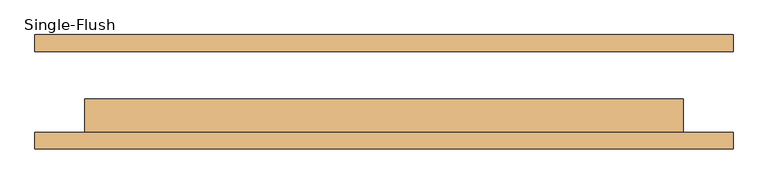
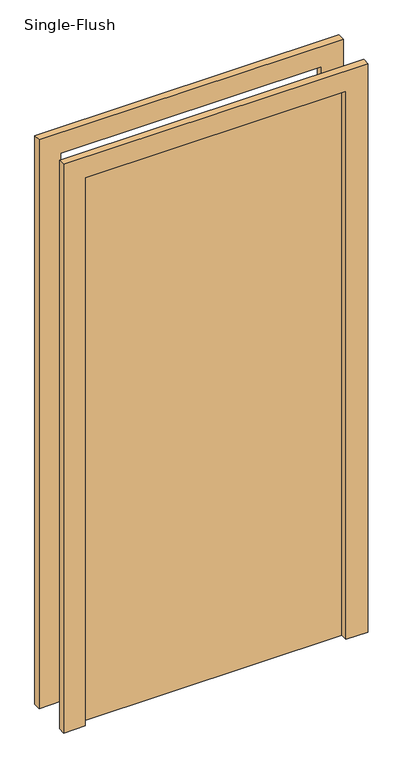
"""IFC4 building model written with IfcOpenShell, lengths in millimetres: door geometry, Single-Flush."""

from ifc_helpers import new_model, si_unit, frame, origin, origin_with_axes, place, context, project, spatial, polyline, outline, extrude, source, transform, mapped, element, save


def single_flush_3a30bed4(model_context):
    return source(origin(), model_context, "Body", "SweptSolid", [
        extrude(outline(polyline([(2106.2, -533.4), (0.0, -533.4), (0.0, -457.2), (2030.0, -457.2), (2030.0, 457.2), (0.0, 457.2), (0.0, 533.4), (2106.2, 533.4), (2106.2, -533.4)])), frame((0.0, -87.3125, 0.0), z_axis=(0.0, 1.0, 0.0), x_axis=(0.0, 0.0, 1.0)), (0.0, 0.0, 1.0), 25.4),
        extrude(outline(polyline([(2106.2, 533.4), (2106.2, -533.4), (0.0, -533.4), (0.0, -457.2), (2030.0, -457.2), (2030.0, 457.2), (0.0, 457.2), (0.0, 533.4), (2106.2, 533.4)])), frame((0.0, 61.9125, 0.0), z_axis=(0.0, 1.0, 0.0), x_axis=(0.0, 0.0, 1.0)), (0.0, 0.0, 1.0), 25.4),
        extrude(outline(polyline([(457.2, -11.1125), (457.2, -61.9125), (-457.2, -61.9125), (-457.2, -11.1125), (457.2, -11.1125)])), origin_with_axes(), (0.0, 0.0, 1.0), 2030.0),
    ])


if __name__ == "__main__":
    model = new_model("IFC4")
    model_context = context("Model", 3, world=origin())
    ifc_project = project(units=[si_unit("LENGTHUNIT", "METRE", prefix="MILLI")], contexts=[model_context])
    site = spatial("IfcSite", under=ifc_project)
    building = spatial("IfcBuilding", under=site)
    placement = place(None, origin())
    single_flush_shape = single_flush_3a30bed4(model_context)
    element("IfcDoor", 1, ObjectType="Single-Flush", at=placement, inside=building, context=model_context, shape_type="MappedRepresentation", body=[
        mapped(single_flush_shape, transform((0.0, 0.0, 0.0), x_axis=(1.0, 0.0, 0.0), y_axis=(0.0, 1.0, 0.0), z_axis=(0.0, 0.0, 1.0))),
    ])
    save(model, "model.ifc")
